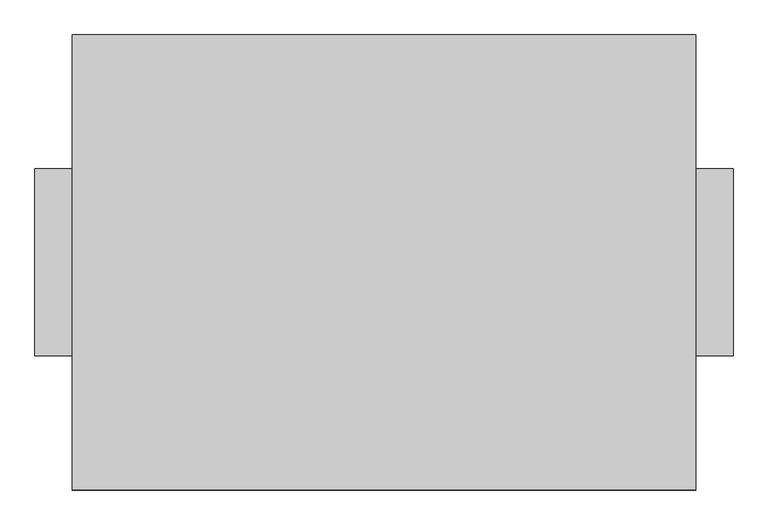
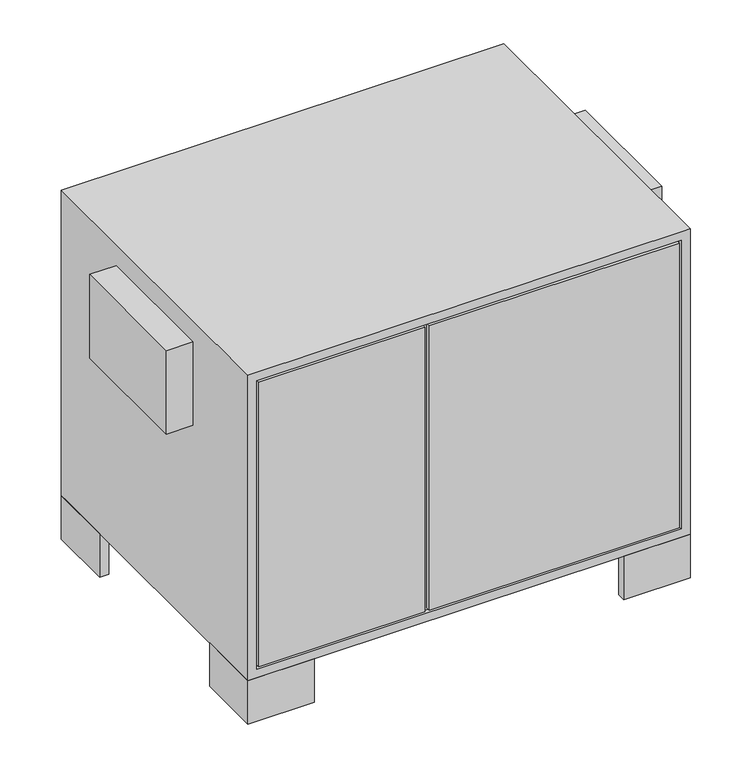
"""IFC4 building model written with IfcOpenShell, lengths in millimetres: proxy geometry."""

from ifc_helpers import new_model, si_unit, frame, origin, origin_with_axes, place, context, project, spatial, polyline, outline, extrude, faceted_brep, source, transform, mapped, element, save


def mechanical_equipment_feb2800d(model_context):
    return source(origin(), model_context, "Body", "SolidModel", [
        extrude(outline(polyline([(500.0, -365.0), (350.0, -365.0), (350.0, -345.0), (480.0, -345.0), (480.0, -215.0), (500.0, -215.0), (500.0, -365.0)])), origin_with_axes(), (0.0, 0.0, 1.0), 104.0),
        extrude(outline(polyline([(500.0, 365.0), (500.0, 215.0), (480.0, 215.0), (480.0, 345.0), (350.0, 345.0), (350.0, 365.0), (500.0, 365.0)])), origin_with_axes(), (0.0, 0.0, 1.0), 104.0),
        extrude(outline(polyline([(-500.0, -365.0), (-500.0, -215.0), (-480.0, -215.0), (-480.0, -345.0), (-350.0, -345.0), (-350.0, -365.0), (-500.0, -365.0)])), origin_with_axes(), (0.0, 0.0, 1.0), 104.0),
        extrude(outline(polyline([(-500.0, 365.0), (-350.0, 365.0), (-350.0, 345.0), (-480.0, 345.0), (-480.0, 215.0), (-500.0, 215.0), (-500.0, 365.0)])), origin_with_axes(), (0.0, 0.0, 1.0), 104.0),
        extrude(outline(polyline([(-560.0, -150.0), (-560.0, 150.0), (-500.0, 150.0), (-500.0, -150.0), (-560.0, -150.0)])), frame((0.0, 0.0, 584.0), z_axis=(0.0, 0.0, 1.0), x_axis=(1.0, 0.0, 0.0)), (0.0, 0.0, 1.0), 200.0),
        extrude(outline(polyline([(560.0, 150.0), (560.0, -150.0), (500.0, -150.0), (500.0, 150.0), (560.0, 150.0)])), frame((0.0, 0.0, 484.0), z_axis=(0.0, 0.0, 1.0), x_axis=(1.0, 0.0, 0.0)), (0.0, 0.0, 1.0), 300.0),
        faceted_brep([(500.0, 365.0, 834.0), (-500.0, 365.0, 834.0), (-500.0, -365.0, 834.0), (500.0, -365.0, 834.0), (500.0, 365.0, 104.0), (500.0, -365.0, 104.0), (-500.0, -365.0, 104.0), (-500.0, 365.0, 104.0), (480.0, 365.0, 814.0), (-480.0, 365.0, 814.0), (-480.0, 365.0, 124.0), (480.0, 365.0, 124.0), (-475.0, 365.0, 809.0), (-100.0, 365.0, 809.0), (-100.0, 365.0, 129.0), (-475.0, 365.0, 129.0), (475.0, 365.0, 129.0), (-90.0, 365.0, 129.0), (-90.0, 365.0, 809.0), (475.0, 365.0, 809.0), (-480.0, -365.0, 814.0), (480.0, -365.0, 814.0), (480.0, -365.0, 124.0), (-480.0, -365.0, 124.0), (-100.0, -365.0, 809.0), (-475.0, -365.0, 809.0), (-475.0, -365.0, 129.0), (-100.0, -365.0, 129.0), (-90.0, -365.0, 129.0), (475.0, -365.0, 129.0), (475.0, -365.0, 809.0), (-90.0, -365.0, 809.0), (480.0, 355.0, 814.0), (480.0, 355.0, 124.0), (-480.0, 355.0, 124.0), (-480.0, 355.0, 814.0), (-475.0, 355.0, 809.0), (-475.0, 355.0, 129.0), (-100.0, 355.0, 129.0), (-100.0, 355.0, 809.0), (475.0, 355.0, 129.0), (475.0, 355.0, 809.0), (-90.0, 355.0, 809.0), (-90.0, 355.0, 129.0), (-480.0, -355.0, 814.0), (-480.0, -355.0, 124.0), (480.0, -355.0, 124.0), (480.0, -355.0, 814.0), (-100.0, -355.0, 809.0), (-100.0, -355.0, 129.0), (-475.0, -355.0, 129.0), (-475.0, -355.0, 809.0), (-90.0, -355.0, 129.0), (-90.0, -355.0, 809.0), (475.0, -355.0, 809.0), (475.0, -355.0, 129.0)], [[[0, 1, 2, 3]], [[4, 5, 6, 7]], [[1, 0, 4, 7], [8, 9, 10, 11]], [[12, 13, 14, 15]], [[16, 17, 18, 19]], [[2, 1, 7, 6]], [[3, 2, 6, 5], [20, 21, 22, 23]], [[24, 25, 26, 27]], [[28, 29, 30, 31]], [[0, 3, 5, 4]], [[32, 33, 34, 35], [36, 37, 38, 39], [40, 41, 42, 43]], [[32, 35, 9, 8]], [[35, 34, 10, 9]], [[34, 33, 11, 10]], [[33, 32, 8, 11]], [[36, 39, 13, 12]], [[39, 38, 14, 13]], [[38, 37, 15, 14]], [[37, 36, 12, 15]], [[40, 43, 17, 16]], [[43, 42, 18, 17]], [[42, 41, 19, 18]], [[41, 40, 16, 19]], [[44, 45, 46, 47], [48, 49, 50, 51], [52, 53, 54, 55]], [[44, 47, 21, 20]], [[47, 46, 22, 21]], [[46, 45, 23, 22]], [[45, 44, 20, 23]], [[48, 51, 25, 24]], [[51, 50, 26, 25]], [[50, 49, 27, 26]], [[49, 48, 24, 27]], [[52, 55, 29, 28]], [[55, 54, 30, 29]], [[54, 53, 31, 30]], [[53, 52, 28, 31]]]),
    ])


if __name__ == "__main__":
    model = new_model("IFC4")
    model_context = context("Model", 3, world=origin())
    ifc_project = project(units=[si_unit("LENGTHUNIT", "METRE", prefix="MILLI")], contexts=[model_context])
    site = spatial("IfcSite", under=ifc_project)
    building = spatial("IfcBuilding", under=site)
    placement = place(None, origin())
    mechanical_equipment_shape = mechanical_equipment_feb2800d(model_context)
    element("IfcBuildingElementProxy", 1, Name="Mechanical Equipment", at=placement, inside=building, context=model_context, shape_type="MappedRepresentation", body=[
        mapped(mechanical_equipment_shape, transform((0.0, 0.0, 0.0), x_axis=(1.0, 0.0, 0.0), y_axis=(0.0, 1.0, 0.0), z_axis=(0.0, 0.0, 1.0))),
    ])
    save(model, "model.ifc")
